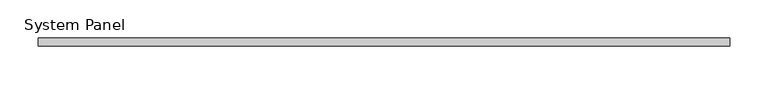
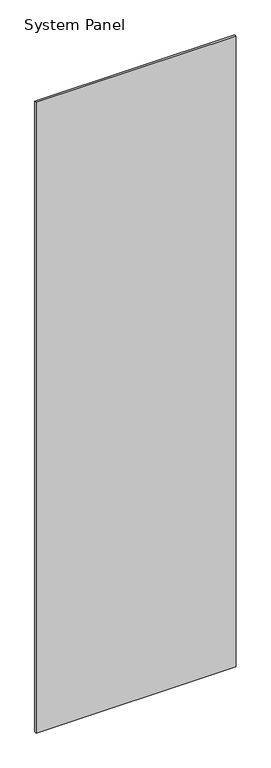
"""IFC4 building model written with IfcOpenShell, lengths in millimetres: plate geometry, System Panel."""

from ifc_helpers import new_model, si_unit, origin, origin_with_axes, place, context, project, spatial, polyline, outline, extrude, source, transform, mapped, element, save


def system_panel_3e3c921b(model_context):
    return source(origin(), model_context, "Body", "SweptSolid", [
        extrude(outline(polyline([(448.9243934, -5.0), (-448.9243934, -5.0), (-448.9243934, 5.0), (448.9243934, 5.0), (448.9243934, -5.0)])), origin_with_axes(), (0.0, 0.0, 1.0), 2991.6097048),
    ])


if __name__ == "__main__":
    model = new_model("IFC4")
    model_context = context("Model", 3, world=origin())
    ifc_project = project(units=[si_unit("LENGTHUNIT", "METRE", prefix="MILLI")], contexts=[model_context])
    site = spatial("IfcSite", under=ifc_project)
    building = spatial("IfcBuilding", under=site)
    placement = place(None, origin())
    system_panel_shape = system_panel_3e3c921b(model_context)
    element("IfcPlate", 1, ObjectType="System Panel", at=placement, inside=building, context=model_context, shape_type="MappedRepresentation", body=[
        mapped(system_panel_shape, transform((0.0, 0.0, 0.0), x_axis=(1.0, 0.0, 0.0), y_axis=(0.0, 1.0, 0.0), z_axis=(0.0, 0.0, 1.0))),
    ])
    save(model, "model.ifc")
